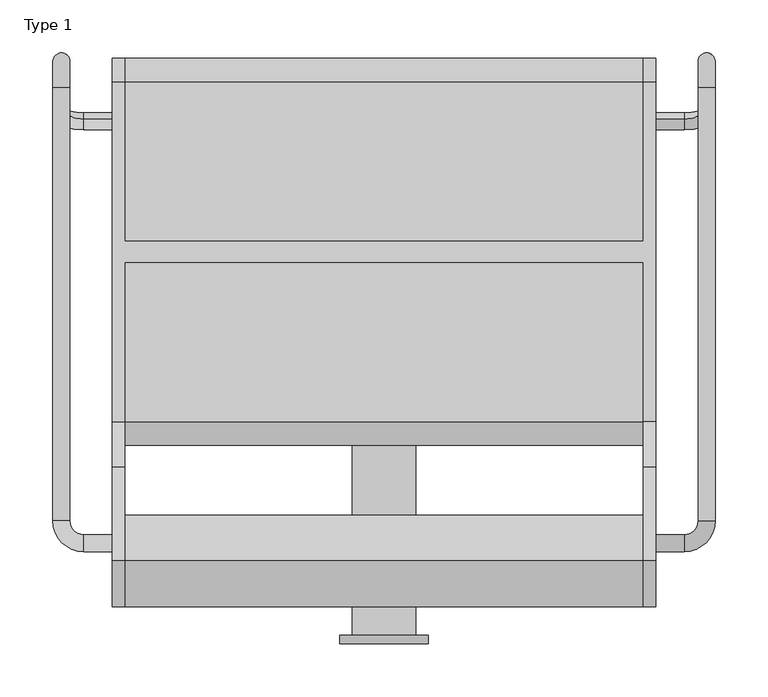
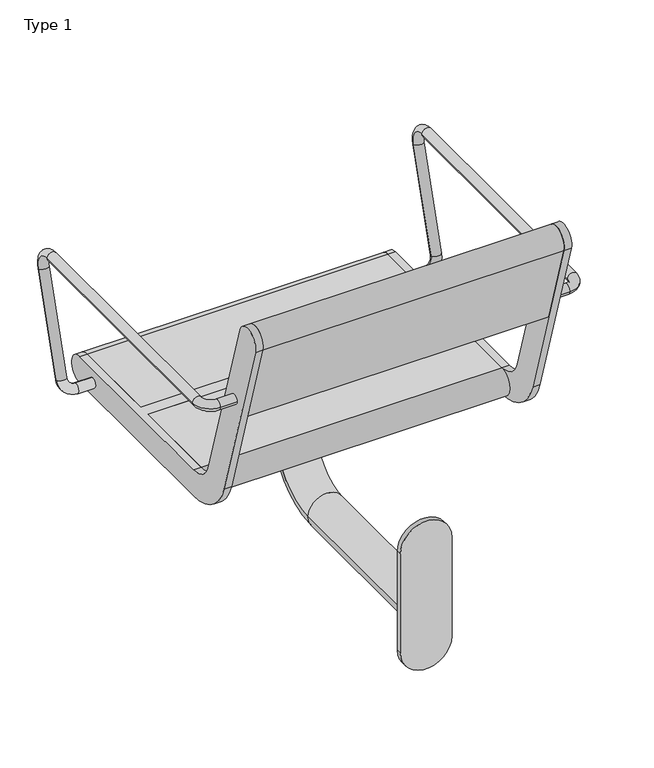
"""IFC4 building model written with IfcOpenShell, lengths in millimetres: furniture geometry, Type 1."""

from ifc_helpers import new_model, si_unit, point, frame, frame_2d, origin, place, context, project, spatial, polyline, circle_curve, ellipse_curve, trimmed, segment, composite_curve, outline, extrude, source, transform, mapped, element, save
from ifc_brep_helpers import plane_surface, cylinder_surface, revolved_surface, advanced_brep


def type_1_fdb0b015(model_context):
    return source(origin(), model_context, "Body", "SolidModel", [
        advanced_brep(
        [(-132.0, 203.0, 641.5), (-132.0, 187.0, 641.5), (-159.0, 203.0, 641.5), (-159.0, 187.0, 641.5), (-172.0, 216.0, 641.5), (-188.0, 216.0, 641.5), (-172.0, 625.6408049, 641.5), (-188.0, 625.6408049, 641.5), (-188.0, 649.5484238, 609.1907074), (-172.0, 649.5484238, 609.1907074), (-188.0, 600.1398058, 447.5823999), (-172.0, 600.1398058, 447.5823999), (-132.0, 596.3389736, 435.150438), (-132.0, 591.6610264, 419.849562), (-159.0, 591.6610264, 419.849562), (-159.0, 596.3389736, 435.150438)],
        [
            (0, 1, circle_curve(frame((-132.0, 195.0, 641.5), z_axis=(1.0, 0.0, 0.0), x_axis=(0.0, -1.0, 0.0)), 8.0)),
            (1, 0, circle_curve(frame((-132.0, 195.0, 641.5), z_axis=(1.0, 0.0, 0.0), x_axis=(0.0, -1.0, 0.0)), 8.0)),
            (0, 2),
            (2, 3, circle_curve(frame((-159.0, 195.0, 641.5), z_axis=(1.0, 0.0, 0.0), x_axis=(0.0, -1.0, 0.0)), 8.0)),
            (3, 1),
            (3, 2, circle_curve(frame((-159.0, 195.0, 641.5), z_axis=(1.0, 0.0, 0.0), x_axis=(0.0, -1.0, 0.0)), 8.0)),
            (2, 4, circle_curve(frame((-159.0, 216.0, 641.5), z_axis=(0.0, 0.0, -1.0), x_axis=(0.0, -1.0, 0.0)), 13.0)),
            (4, 5, circle_curve(frame((-180.0, 216.0, 641.5), z_axis=(0.0, -1.0, 0.0), x_axis=(-1.0, 0.0, 0.0)), 8.0)),
            (5, 3, circle_curve(frame((-159.0, 216.0, 641.5), z_axis=(0.0, 0.0, 1.0), x_axis=(0.0, -1.0, 0.0)), 29.0)),
            (5, 4, circle_curve(frame((-180.0, 216.0, 641.5), z_axis=(0.0, -1.0, 0.0), x_axis=(-1.0, 0.0, 0.0)), 8.0)),
            (4, 6),
            (6, 7, circle_curve(frame((-180.0, 625.6408049, 641.5), z_axis=(0.0, -1.0, 0.0), x_axis=(-1.0, 0.0, 0.0)), 8.0)),
            (7, 5),
            (7, 6, circle_curve(frame((-180.0, 625.6408049, 641.5), z_axis=(0.0, -1.0, 0.0), x_axis=(-1.0, 0.0, 0.0)), 8.0)),
            (7, 8, circle_curve(frame((-188.0, 625.6408049, 616.5), z_axis=(-1.0, 0.0, 0.0), x_axis=(0.0, 0.0, 1.0)), 25.0)),
            (8, 9, circle_curve(frame((-180.0, 649.5484238, 609.1907074), z_axis=(0.0, 0.2923717047227469, 0.9563047559630324), x_axis=(-1.0, 0.0, 0.0)), 8.0)),
            (9, 6, circle_curve(frame((-172.0, 625.6408049, 616.5), z_axis=(1.0, 0.0, 0.0), x_axis=(0.0, 0.0, 1.0)), 25.0)),
            (9, 8, circle_curve(frame((-180.0, 649.5484238, 609.1907074), z_axis=(0.0, 0.2923717047227456, 0.9563047559630328), x_axis=(-1.0, 0.0, 0.0)), 8.0)),
            (8, 10),
            (10, 11, circle_curve(frame((-180.0, 600.1398058, 447.5823999), z_axis=(0.0, 0.2923717047227381, 0.9563047559630351), x_axis=(-1.0, 0.0, 0.0)), 8.0)),
            (11, 9),
            (11, 10, circle_curve(frame((-180.0, 600.1398058, 447.5823999), z_axis=(0.0, 0.2923717047227381, 0.9563047559630351), x_axis=(-1.0, 0.0, 0.0)), 8.0)),
            (12, 13, circle_curve(frame((-132.0, 594.0, 427.5), z_axis=(1.0, 0.0, 0.0), x_axis=(0.0, -0.2923717047227402, -0.9563047559630344)), 8.0)),
            (13, 12, circle_curve(frame((-132.0, 594.0, 427.5), z_axis=(1.0, 0.0, 0.0), x_axis=(0.0, -0.2923717047227402, -0.9563047559630344)), 8.0)),
            (13, 14),
            (14, 15, circle_curve(frame((-159.0, 594.0, 427.5), z_axis=(1.0, 0.0, 0.0), x_axis=(0.0, -0.2923717047227402, -0.9563047559630344)), 8.0)),
            (15, 12),
            (15, 14, circle_curve(frame((-159.0, 594.0, 427.5), z_axis=(1.0, 0.0, 0.0), x_axis=(0.0, -0.2923717047227402, -0.9563047559630344)), 8.0)),
            (14, 10, circle_curve(frame((-159.0, 600.1398058, 447.5823999), z_axis=(0.0, 0.9563047559630344, -0.29237170472274027), x_axis=(0.0, -0.29237170472274027, -0.9563047559630344)), 29.0)),
            (11, 15, circle_curve(frame((-159.0, 600.1398058, 447.5823999), z_axis=(0.0, -0.9563047559630344, 0.29237170472274027), x_axis=(0.0, -0.29237170472274027, -0.9563047559630344)), 13.0)),
        ],
        [
            plane_surface(frame((-132.0, 195.0, 405.0), z_axis=(1.0, 0.0, 0.0), x_axis=(0.0, 0.0, 1.0))),
            cylinder_surface(frame((-132.0, 195.0, 641.5), z_axis=(1.0, 0.0, 0.0), x_axis=(0.0, -1.0, 0.0)), 8.0),
            revolved_surface(trimmed(ellipse_curve(frame((-159.0, 195.0, 641.5), z_axis=(1.0, 0.0, 0.0), x_axis=(0.0, -1.0, 0.0)), 8.0, 8.0), [point((-159.0, 203.0, 641.5))], [point((-159.0, 187.0, 641.5))], True, "CARTESIAN"), (-159.0, 216.0, 405.0), (0.0, 0.0, -1.0)),
            revolved_surface(trimmed(ellipse_curve(frame((-159.0, 195.0, 641.5), z_axis=(1.0, 0.0, 0.0), x_axis=(0.0, -1.0, 0.0)), 8.0, 8.0), [point((-159.0, 187.0, 641.5))], [point((-159.0, 203.0, 641.5))], True, "CARTESIAN"), (-159.0, 216.0, 405.0), (0.0, 0.0, -1.0)),
            cylinder_surface(frame((-180.0, 216.0, 641.5), z_axis=(0.0, -1.0, 0.0), x_axis=(-1.0, 0.0, 0.0)), 8.0),
            revolved_surface(trimmed(ellipse_curve(frame((-180.0, 625.6408049, 641.5), z_axis=(0.0, -1.0, 0.0), x_axis=(-1.0, 0.0, 0.0)), 8.0, 8.0), [point((-188.0, 625.6408049, 641.5))], [point((-172.0, 625.6408049, 641.5))], True, "CARTESIAN"), (125.0, 625.6408049, 616.5), (-1.0, 0.0, 0.0)),
            revolved_surface(trimmed(ellipse_curve(frame((-180.0, 625.6408049, 641.5), z_axis=(0.0, -1.0, 0.0), x_axis=(-1.0, 0.0, 0.0)), 8.0, 8.0), [point((-172.0, 625.6408049, 641.5))], [point((-188.0, 625.6408049, 641.5))], True, "CARTESIAN"), (125.0, 625.6408049, 616.5), (-1.0, 0.0, 0.0)),
            cylinder_surface(frame((-180.0, 649.5484238, 609.1907074), z_axis=(0.0, 0.2923717047227381, 0.9563047559630351), x_axis=(-1.0, 0.0, 0.0)), 8.0),
            plane_surface(frame((-132.0, -19.469501, 615.0564486), z_axis=(1.0, 0.0, 0.0), x_axis=(0.0, 0.9563047559630344, -0.29237170472274027))),
            cylinder_surface(frame((-132.0, 594.0, 427.5), z_axis=(1.0, 0.0, 0.0), x_axis=(0.0, -0.2923717047227402, -0.9563047559630344)), 8.0),
            revolved_surface(trimmed(ellipse_curve(frame((-159.0, 594.0, 427.5), z_axis=(1.0, 0.0, 0.0), x_axis=(0.0, -0.2923717047227402, -0.9563047559630344)), 8.0, 8.0), [point((-159.0, 591.6610264, 419.849562))], [point((-159.0, 596.3389736, 435.150438))], True, "CARTESIAN"), (-159.0, -13.3296952, 635.1388485), (0.0, 0.9563047559630344, -0.29237170472274027)),
            revolved_surface(trimmed(ellipse_curve(frame((-159.0, 594.0, 427.5), z_axis=(1.0, 0.0, 0.0), x_axis=(0.0, -0.2923717047227402, -0.9563047559630344)), 8.0, 8.0), [point((-159.0, 596.3389736, 435.150438))], [point((-159.0, 591.6610264, 419.849562))], True, "CARTESIAN"), (-159.0, -13.3296952, 635.1388485), (0.0, 0.9563047559630344, -0.29237170472274027)),
        ],
        [
            (0, [[1, 2]]),
            (1, [[-1, 3, 4, 5]]),
            (1, [[-2, -5, 6, -3]]),
            (2, [[-4, 7, 8, 9]]),
            (3, [[-6, -9, 10, -7]]),
            (4, [[11, 12, 13, -8]]),
            (4, [[-11, -10, -13, 14]]),
            (5, [[-14, 15, 16, 17]]),
            (6, [[-12, -17, 18, -15]]),
            (7, [[-16, 19, 20, 21]]),
            (7, [[-18, -21, 22, -19]]),
            (8, [[23, 24]]),
            (9, [[-24, 25, 26, 27]]),
            (9, [[-23, -27, 28, -25]]),
            (10, [[-26, 29, -22, 30]]),
            (11, [[-28, -30, -20, -29]]),
        ],
    ),
        advanced_brep(
        [(438.0, 216.0, 641.5), (438.0, 625.6408049, 641.5), (422.0, 625.6408049, 641.5), (422.0, 216.0, 641.5), (382.0, 203.0, 641.5), (382.0, 187.0, 641.5), (409.0, 187.0, 641.5), (409.0, 203.0, 641.5), (422.0, 649.5484238, 609.1907074), (438.0, 649.5484238, 609.1907074), (422.0, 600.1398058, 447.5823999), (438.0, 600.1398058, 447.5823999), (382.0, 596.3389736, 435.150438), (382.0, 591.6610264, 419.849562), (409.0, 596.3389736, 435.150438), (409.0, 591.6610264, 419.849562)],
        [
            (0, 1),
            (1, 2, circle_curve(frame((430.0, 625.6408049, 641.5), z_axis=(0.0, -1.0, 0.0), x_axis=(1.0, 0.0, 0.0)), 8.0)),
            (2, 3),
            (3, 0, circle_curve(frame((430.0, 216.0, 641.5), z_axis=(0.0, 1.0, 0.0), x_axis=(1.0, 0.0, 0.0)), 8.0)),
            (0, 3, circle_curve(frame((430.0, 216.0, 641.5), z_axis=(0.0, 1.0, 0.0), x_axis=(1.0, 0.0, 0.0)), 8.0)),
            (2, 1, circle_curve(frame((430.0, 625.6408049, 641.5), z_axis=(0.0, -1.0, 0.0), x_axis=(1.0, 0.0, 0.0)), 8.0)),
            (4, 5, circle_curve(frame((382.0, 195.0, 641.5), z_axis=(-1.0, 0.0, 0.0), x_axis=(0.0, -1.0, 0.0)), 8.0)),
            (5, 4, circle_curve(frame((382.0, 195.0, 641.5), z_axis=(-1.0, 0.0, 0.0), x_axis=(0.0, -1.0, 0.0)), 8.0)),
            (5, 6),
            (6, 7, circle_curve(frame((409.0, 195.0, 641.5), z_axis=(-1.0, 0.0, 0.0), x_axis=(0.0, -1.0, 0.0)), 8.0)),
            (7, 4),
            (7, 6, circle_curve(frame((409.0, 195.0, 641.5), z_axis=(-1.0, 0.0, 0.0), x_axis=(0.0, -1.0, 0.0)), 8.0)),
            (6, 0, circle_curve(frame((409.0, 216.0, 641.5), z_axis=(0.0, 0.0, 1.0), x_axis=(0.0, -1.0, 0.0)), 29.0)),
            (3, 7, circle_curve(frame((409.0, 216.0, 641.5), z_axis=(0.0, 0.0, -1.0), x_axis=(0.0, -1.0, 0.0)), 13.0)),
            (2, 8, circle_curve(frame((422.0, 625.6408049, 616.5), z_axis=(-1.0, 0.0, 0.0), x_axis=(0.0, 0.0, 1.0)), 25.0)),
            (8, 9, circle_curve(frame((430.0, 649.5484238, 609.1907074), z_axis=(0.0, 0.29237170472274643, 0.9563047559630325), x_axis=(1.0, 0.0, 0.0)), 8.0)),
            (9, 1, circle_curve(frame((438.0, 625.6408049, 616.5), z_axis=(1.0, 0.0, 0.0), x_axis=(0.0, 0.0, 1.0)), 25.0)),
            (9, 8, circle_curve(frame((430.0, 649.5484238, 609.1907074), z_axis=(0.0, 0.29237170472274643, 0.9563047559630325), x_axis=(1.0, 0.0, 0.0)), 8.0)),
            (8, 10),
            (10, 11, circle_curve(frame((430.0, 600.1398058, 447.5823999), z_axis=(0.0, 0.2923717047227381, 0.9563047559630351), x_axis=(1.0, 0.0, 0.0)), 8.0)),
            (11, 9),
            (11, 10, circle_curve(frame((430.0, 600.1398058, 447.5823999), z_axis=(0.0, 0.2923717047227381, 0.9563047559630351), x_axis=(1.0, 0.0, 0.0)), 8.0)),
            (12, 13, circle_curve(frame((382.0, 594.0, 427.5), z_axis=(-1.0, 0.0, 0.0), x_axis=(0.0, -0.2923717047227402, -0.9563047559630344)), 8.0)),
            (13, 12, circle_curve(frame((382.0, 594.0, 427.5), z_axis=(-1.0, 0.0, 0.0), x_axis=(0.0, -0.2923717047227402, -0.9563047559630344)), 8.0)),
            (12, 14),
            (14, 15, circle_curve(frame((409.0, 594.0, 427.5), z_axis=(-1.0, 0.0, 0.0), x_axis=(0.0, -0.2923717047227402, -0.9563047559630344)), 8.0)),
            (15, 13),
            (15, 14, circle_curve(frame((409.0, 594.0, 427.5), z_axis=(-1.0, 0.0, 0.0), x_axis=(0.0, -0.2923717047227402, -0.9563047559630344)), 8.0)),
            (14, 10, circle_curve(frame((409.0, 600.1398058, 447.5823999), z_axis=(0.0, -0.9563047559630344, 0.29237170472274027), x_axis=(0.0, -0.29237170472274027, -0.9563047559630344)), 13.0)),
            (11, 15, circle_curve(frame((409.0, 600.1398058, 447.5823999), z_axis=(0.0, 0.9563047559630344, -0.29237170472274027), x_axis=(0.0, -0.29237170472274027, -0.9563047559630344)), 29.0)),
        ],
        [
            cylinder_surface(frame((430.0, 216.0, 641.5), z_axis=(0.0, -1.0, 0.0), x_axis=(1.0, 0.0, 0.0)), 8.0),
            plane_surface(frame((382.0, 195.0, 405.0), z_axis=(-1.0, 0.0, 0.0), x_axis=(0.0, 0.0, 1.0))),
            cylinder_surface(frame((382.0, 195.0, 641.5), z_axis=(-1.0, 0.0, 0.0), x_axis=(0.0, -1.0, 0.0)), 8.0),
            revolved_surface(trimmed(ellipse_curve(frame((409.0, 195.0, 641.5), z_axis=(-1.0, 0.0, 0.0), x_axis=(0.0, -1.0, 0.0)), 8.0, 8.0), [point((409.0, 187.0, 641.5))], [point((409.0, 203.0, 641.5))], True, "CARTESIAN"), (409.0, 216.0, 405.0), (0.0, 0.0, 1.0)),
            revolved_surface(trimmed(ellipse_curve(frame((409.0, 195.0, 641.5), z_axis=(-1.0, 0.0, 0.0), x_axis=(0.0, -1.0, 0.0)), 8.0, 8.0), [point((409.0, 203.0, 641.5))], [point((409.0, 187.0, 641.5))], True, "CARTESIAN"), (409.0, 216.0, 405.0), (0.0, 0.0, 1.0)),
            revolved_surface(trimmed(ellipse_curve(frame((430.0, 625.6408049, 641.5), z_axis=(0.0, -1.0, 0.0), x_axis=(1.0, 0.0, 0.0)), 8.0, 8.0), [point((422.0, 625.6408049, 641.5))], [point((438.0, 625.6408049, 641.5))], True, "CARTESIAN"), (125.0, 625.6408049, 616.5), (-1.0, 0.0, 0.0)),
            revolved_surface(trimmed(ellipse_curve(frame((430.0, 625.6408049, 641.5), z_axis=(0.0, -1.0, 0.0), x_axis=(1.0, 0.0, 0.0)), 8.0, 8.0), [point((438.0, 625.6408049, 641.5))], [point((422.0, 625.6408049, 641.5))], True, "CARTESIAN"), (125.0, 625.6408049, 616.5), (-1.0, 0.0, 0.0)),
            cylinder_surface(frame((430.0, 649.5484238, 609.1907074), z_axis=(0.0, 0.2923717047227381, 0.9563047559630351), x_axis=(1.0, 0.0, 0.0)), 8.0),
            plane_surface(frame((382.0, -19.469501, 615.0564486), z_axis=(-1.0, 0.0, 0.0), x_axis=(0.0, 0.9563047559630344, -0.29237170472274027))),
            cylinder_surface(frame((382.0, 594.0, 427.5), z_axis=(-1.0, 0.0, 0.0), x_axis=(0.0, -0.2923717047227402, -0.9563047559630344)), 8.0),
            revolved_surface(trimmed(ellipse_curve(frame((409.0, 594.0, 427.5), z_axis=(-1.0, 0.0, 0.0), x_axis=(0.0, -0.2923717047227402, -0.9563047559630344)), 8.0, 8.0), [point((409.0, 596.3389736, 435.150438))], [point((409.0, 591.6610264, 419.849562))], True, "CARTESIAN"), (409.0, -13.3296952, 635.1388485), (0.0, -0.9563047559630344, 0.29237170472274027)),
            revolved_surface(trimmed(ellipse_curve(frame((409.0, 594.0, 427.5), z_axis=(-1.0, 0.0, 0.0), x_axis=(0.0, -0.2923717047227402, -0.9563047559630344)), 8.0, 8.0), [point((409.0, 591.6610264, 419.849562))], [point((409.0, 596.3389736, 435.150438))], True, "CARTESIAN"), (409.0, -13.3296952, 635.1388485), (0.0, -0.9563047559630344, 0.29237170472274027)),
        ],
        [
            (0, [[1, 2, 3, 4]]),
            (0, [[-1, 5, -3, 6]]),
            (1, [[7, 8]]),
            (2, [[-8, 9, 10, 11]]),
            (2, [[-7, -11, 12, -9]]),
            (3, [[-10, 13, -4, 14]]),
            (4, [[-12, -14, -5, -13]]),
            (5, [[-6, 15, 16, 17]]),
            (6, [[-2, -17, 18, -15]]),
            (7, [[-16, 19, 20, 21]]),
            (7, [[-18, -21, 22, -19]]),
            (8, [[23, 24]]),
            (9, [[-23, 25, 26, 27]]),
            (9, [[-24, -27, 28, -25]]),
            (10, [[-26, 29, -22, 30]]),
            (11, [[-28, -30, -20, -29]]),
        ],
    ),
        advanced_brep(
        [(370.0, 178.9624029, 769.6910048), (370.0, 266.966286, 481.8432733), (370.0, 310.0, 450.0), (370.0, 460.5, 450.0), (370.0, 460.5, 405.0), (370.0, 310.0, 405.0), (370.0, 223.932572, 468.6865466), (370.0, 135.9286888, 756.5342781), (370.0, 631.0, 450.0), (370.0, 631.0, 405.0), (370.0, 480.5, 405.0), (370.0, 480.5, 450.0), (382.0, 178.9624029, 769.6910048), (382.0, 135.9286888, 756.5342781), (382.0, 223.932572, 468.6865466), (382.0, 310.0, 405.0), (382.0, 631.0, 405.0), (382.0, 631.0, 450.0), (382.0, 310.0, 450.0), (382.0, 266.966286, 481.8432733), (-120.0, 480.5, 450.0), (-120.0, 631.0, 450.0), (-132.0, 631.0, 450.0), (-132.0, 310.0, 450.0), (-120.0, 310.0, 450.0), (-120.0, 460.5, 450.0), (-120.0, 460.5, 405.0), (-120.0, 310.0, 405.0), (-132.0, 310.0, 405.0), (-132.0, 631.0, 405.0), (-120.0, 631.0, 405.0), (-120.0, 480.5, 405.0), (-132.0, 178.9624029, 769.6910048), (-132.0, 266.966286, 481.8432733), (-132.0, 223.932572, 468.6865466), (-132.0, 135.9286888, 756.5342781), (-120.0, 178.9624029, 769.6910048), (-120.0, 135.9286888, 756.5342781), (-120.0, 223.932572, 468.6865466), (-120.0, 266.966286, 481.8432733)],
        [
            (0, 1),
            (1, 2, circle_curve(frame((370.0, 310.0, 495.0), z_axis=(1.0, 0.0, 0.0), x_axis=(0.0, 1.0, 0.0)), 45.0)),
            (2, 3),
            (3, 4),
            (4, 5),
            (5, 6, circle_curve(frame((370.0, 310.0, 495.0), z_axis=(-1.0, 0.0, 0.0), x_axis=(0.0, 1.0, 0.0)), 90.0)),
            (6, 7),
            (7, 0, circle_curve(frame((370.0, 157.4455459, 763.1126415), z_axis=(-1.0, 0.0, 0.0), x_axis=(0.0, 1.0, 0.0)), 22.5)),
            (8, 9, circle_curve(frame((370.0, 631.0, 427.5), z_axis=(-1.0, 0.0, 0.0), x_axis=(0.0, 1.0, 0.0)), 22.5)),
            (9, 10),
            (10, 11),
            (11, 8),
            (12, 13, circle_curve(frame((382.0, 157.4455459, 763.1126415), z_axis=(1.0, 0.0, 0.0), x_axis=(0.0, 1.0, 0.0)), 22.5)),
            (13, 14),
            (14, 15, circle_curve(frame((382.0, 310.0, 495.0), z_axis=(1.0, 0.0, 0.0), x_axis=(0.0, 1.0, 0.0)), 90.0)),
            (15, 16),
            (16, 17, circle_curve(frame((382.0, 631.0, 427.5), z_axis=(1.0, 0.0, 0.0), x_axis=(0.0, 1.0, 0.0)), 22.5)),
            (17, 18),
            (18, 19, circle_curve(frame((382.0, 310.0, 495.0), z_axis=(-1.0, 0.0, 0.0), x_axis=(0.0, 1.0, 0.0)), 45.0)),
            (19, 12),
            (0, 12),
            (19, 1),
            (18, 2),
            (17, 8),
            (11, 20),
            (20, 21),
            (21, 22),
            (22, 23),
            (23, 24),
            (24, 25),
            (25, 3),
            (15, 5),
            (4, 26),
            (26, 27),
            (27, 28),
            (28, 29),
            (29, 30),
            (30, 31),
            (31, 10),
            (9, 16),
            (14, 6),
            (13, 7),
            (31, 20),
            (25, 26),
            (32, 33),
            (33, 23, circle_curve(frame((-132.0, 310.0, 495.0), z_axis=(1.0, 0.0, 0.0), x_axis=(0.0, 1.0, 0.0)), 45.0)),
            (22, 29, circle_curve(frame((-132.0, 631.0, 427.5), z_axis=(-1.0, 0.0, 0.0), x_axis=(0.0, 1.0, 0.0)), 22.5)),
            (28, 34, circle_curve(frame((-132.0, 310.0, 495.0), z_axis=(-1.0, 0.0, 0.0), x_axis=(0.0, 1.0, 0.0)), 90.0)),
            (34, 35),
            (35, 32, circle_curve(frame((-132.0, 157.4455459, 763.1126415), z_axis=(-1.0, 0.0, 0.0), x_axis=(0.0, 1.0, 0.0)), 22.5)),
            (36, 37, circle_curve(frame((-120.0, 157.4455459, 763.1126415), z_axis=(1.0, 0.0, 0.0), x_axis=(0.0, 1.0, 0.0)), 22.5)),
            (37, 38),
            (38, 27, circle_curve(frame((-120.0, 310.0, 495.0), z_axis=(1.0, 0.0, 0.0), x_axis=(0.0, 1.0, 0.0)), 90.0)),
            (24, 39, circle_curve(frame((-120.0, 310.0, 495.0), z_axis=(-1.0, 0.0, 0.0), x_axis=(0.0, 1.0, 0.0)), 45.0)),
            (39, 36),
            (30, 21, circle_curve(frame((-120.0, 631.0, 427.5), z_axis=(1.0, 0.0, 0.0), x_axis=(0.0, 1.0, 0.0)), 22.5)),
            (32, 36),
            (39, 33),
            (38, 34),
            (37, 35),
        ],
        [
            plane_surface(frame((370.0, 266.966286, 481.8432733), z_axis=(-1.0000000000000002, 0.0, 0.0), x_axis=(0.0, 0.29237170472273394, -0.9563047559630364))),
            plane_surface(frame((382.0, 266.966286, 481.8432733), z_axis=(1.0000000000000002, 0.0, 0.0), x_axis=(0.0, -0.29237170472273394, 0.9563047559630364))),
            plane_surface(frame((370.0, 178.9624029, 769.6910048), z_axis=(0.0, 0.9563047559630364, 0.29237170472273394), x_axis=(1.0, 0.0, 0.0))),
            revolved_surface(polyline([(382.0, 355.0, 495.0), (370.0, 355.0, 495.0)]), (382.0, 310.0, 495.0), (1.0, 0.0, 0.0)),
            plane_surface(frame((370.0, 310.0, 450.0), z_axis=(0.0, 0.0, 1.0), x_axis=(1.0, 0.0, 0.0))),
            plane_surface(frame((370.0, 631.0, 405.0), z_axis=(0.0, 0.0, -1.0), x_axis=(1.0, 0.0, 0.0))),
            cylinder_surface(frame((382.0, 310.0, 495.0), z_axis=(-1.0, 0.0, 0.0), x_axis=(0.0, 1.0, 0.0)), 90.0),
            plane_surface(frame((370.0, 223.932572, 468.6865466), z_axis=(0.0, -0.9563047559630364, -0.29237170472273366), x_axis=(1.0, 0.0, 0.0))),
            cylinder_surface(frame((382.0, 157.4455459, 763.1126415), z_axis=(-1.0, 0.0, 0.0), x_axis=(0.0, 1.0, 0.0)), 22.5),
            cylinder_surface(frame((382.0, 631.0, 427.5), z_axis=(-1.0, 0.0, 0.0), x_axis=(0.0, 1.0, 0.0)), 22.5),
            plane_surface(frame((-120.0, 480.5, 450.0), z_axis=(0.0, 1.0, 0.0), x_axis=(1.0, 0.0, 0.0))),
            plane_surface(frame((-120.0, 460.5, 405.0), z_axis=(0.0, -1.0, 0.0), x_axis=(1.0, 0.0, 0.0))),
            plane_surface(frame((-132.0, 266.966286, 481.8432733), z_axis=(-1.0000000000000002, 0.0, 0.0), x_axis=(0.0, 0.29237170472273394, -0.9563047559630364))),
            plane_surface(frame((-120.0, 266.966286, 481.8432733), z_axis=(1.0000000000000002, 0.0, 0.0), x_axis=(0.0, -0.29237170472273394, 0.9563047559630364))),
            plane_surface(frame((-132.0, 178.9624029, 769.6910048), z_axis=(0.0, 0.9563047559630364, 0.29237170472273394), x_axis=(1.0, 0.0, 0.0))),
            revolved_surface(polyline([(-120.0, 355.0, 495.0), (-132.0, 355.0, 495.0)]), (-120.0, 310.0, 495.0), (1.0, 0.0, 0.0)),
            cylinder_surface(frame((-120.0, 310.0, 495.0), z_axis=(-1.0, 0.0, 0.0), x_axis=(0.0, 1.0, 0.0)), 90.0),
            plane_surface(frame((-132.0, 223.932572, 468.6865466), z_axis=(0.0, -0.9563047559630364, -0.29237170472273366), x_axis=(1.0, 0.0, 0.0))),
            cylinder_surface(frame((-120.0, 157.4455459, 763.1126415), z_axis=(-1.0, 0.0, 0.0), x_axis=(0.0, 1.0, 0.0)), 22.5),
            cylinder_surface(frame((-120.0, 631.0, 427.5), z_axis=(-1.0, 0.0, 0.0), x_axis=(0.0, 1.0, 0.0)), 22.5),
        ],
        [
            (0, [[1, 2, 3, 4, 5, 6, 7, 8]]),
            (0, [[9, 10, 11, 12]]),
            (1, [[13, 14, 15, 16, 17, 18, 19, 20]]),
            (2, [[-1, 21, -20, 22]]),
            (3, [[-2, -22, -19, 23]]),
            (4, [[-18, 24, -12, 25, 26, 27, 28, 29, 30, 31, -3, -23]]),
            (5, [[-16, 32, -5, 33, 34, 35, 36, 37, 38, 39, -10, 40]]),
            (6, [[-6, -32, -15, 41]]),
            (7, [[-7, -41, -14, 42]]),
            (8, [[-8, -42, -13, -21]]),
            (9, [[-9, -24, -17, -40]]),
            (10, [[-25, -11, -39, 43]]),
            (11, [[-31, 44, -33, -4]]),
            (12, [[45, 46, -28, 47, -36, 48, 49, 50]]),
            (13, [[51, 52, 53, -34, -44, -30, 54, 55]]),
            (13, [[56, -26, -43, -38]]),
            (14, [[-45, 57, -55, 58]]),
            (15, [[-46, -58, -54, -29]]),
            (16, [[-48, -35, -53, 59]]),
            (17, [[-49, -59, -52, 60]]),
            (18, [[-50, -60, -51, -57]]),
            (19, [[-47, -27, -56, -37]]),
        ],
    ),
        extrude(outline(composite_curve([segment(polyline([(178.9624029, 769.6910048), (221.5024859, 630.5486628), (178.4687719, 617.3919361), (135.9286888, 756.5342781)]), True, "CONTINUOUS"), segment(trimmed(circle_curve(frame_2d((157.4455459, 763.1126415)), 22.5), [point((135.9286888, 756.5342781))], [point((178.9624029, 769.6910048))], False, "CARTESIAN"), True, "CONTINUOUS")], self_intersect=False)), frame((-120.0, 0.0, 0.0), z_axis=(1.0, 0.0, 0.0), x_axis=(0.0, 1.0, 0.0)), (0.0, 0.0, 1.0), 490.0),
        extrude(outline(composite_curve([segment(polyline([(460.5, 405.0), (310.0, 405.0)]), True, "CONTINUOUS"), segment(trimmed(circle_curve(frame_2d((310.0, 427.5)), 22.5), [point((310.0, 405.0))], [point((310.0, 450.0))], False, "CARTESIAN"), True, "CONTINUOUS"), segment(polyline([(310.0, 450.0), (460.5, 450.0), (460.5, 405.0)]), True, "CONTINUOUS")], self_intersect=False)), frame((-120.0, 0.0, 0.0), z_axis=(1.0, 0.0, 0.0), x_axis=(0.0, 1.0, 0.0)), (0.0, 0.0, 1.0), 490.0),
        extrude(outline(composite_curve([segment(polyline([(480.5, 405.0), (480.5, 450.0), (631.0, 450.0)]), True, "CONTINUOUS"), segment(trimmed(circle_curve(frame_2d((631.0, 427.5)), 22.5), [point((631.0, 450.0))], [point((631.0, 405.0))], False, "CARTESIAN"), True, "CONTINUOUS"), segment(polyline([(631.0, 405.0), (480.5, 405.0)]), True, "CONTINUOUS")], self_intersect=False)), frame((-120.0, 0.0, 0.0), z_axis=(1.0, 0.0, 0.0), x_axis=(0.0, 1.0, 0.0)), (0.0, 0.0, 1.0), 490.0),
        extrude(outline(composite_curve([segment(trimmed(circle_curve(frame_2d((357.0801223, 125.0)), 41.9108501), [point((357.0801223, 166.9108501))], [point((357.0801223, 83.0891499))], False, "CARTESIAN"), True, "CONTINUOUS"), segment(polyline([(357.0801223, 83.0891499), (187.0801223, 83.0891499)]), True, "CONTINUOUS"), segment(trimmed(circle_curve(frame_2d((187.0801223, 125.0)), 41.9108501), [point((187.0801223, 83.0891499))], [point((187.0801223, 166.9108501))], False, "CARTESIAN"), True, "CONTINUOUS"), segment(polyline([(187.0801223, 166.9108501), (357.0801223, 166.9108501)]), True, "CONTINUOUS")], self_intersect=False)), frame((0.0, 100.0, 0.0), z_axis=(0.0, 1.0, 0.0), x_axis=(0.0, 0.0, 1.0)), (0.0, 0.0, 1.0), 8.0),
        advanced_brep(
        [(50.0, 595.0, 405.0), (50.0, 595.0, 389.0), (50.0, 345.0, 389.0), (50.0, 345.0, 405.0), (200.0, 595.0, 405.0), (200.0, 345.0, 405.0), (200.0, 345.0, 389.0), (200.0, 595.0, 389.0), (155.0, 470.0, 389.0), (95.0, 470.0, 389.0), (95.0, 108.0, 246.9999952), (155.0, 108.0, 246.9999952), (95.0, 379.9999981, 246.9999952), (155.0, 379.9999981, 246.9999952), (95.0, 470.0, 336.9999971), (155.0, 470.0, 336.9999971)],
        [
            (0, 1),
            (1, 2),
            (2, 3),
            (3, 0),
            (4, 5),
            (5, 6),
            (6, 7),
            (7, 4),
            (0, 4),
            (7, 1),
            (6, 2),
            (8, 9, circle_curve(frame((125.0, 470.0, 389.0), z_axis=(0.0, 0.0, 1.0), x_axis=(1.0, 0.0, 0.0)), 30.0)),
            (9, 8, circle_curve(frame((125.0, 470.0, 389.0), z_axis=(0.0, 0.0, 1.0), x_axis=(1.0, 0.0, 0.0)), 30.0)),
            (5, 3),
            (10, 11, circle_curve(frame((125.0, 108.0, 246.9999952), z_axis=(0.0, -1.0, 0.0), x_axis=(1.0, 0.0, 0.0)), 30.0)),
            (11, 10, circle_curve(frame((125.0, 108.0, 246.9999952), z_axis=(0.0, -1.0, 0.0), x_axis=(1.0, 0.0, 0.0)), 30.0)),
            (10, 12),
            (12, 13, circle_curve(frame((125.0, 379.9999981, 246.9999952), z_axis=(0.0, -1.0, 0.0), x_axis=(1.0, 0.0, 0.0)), 30.0)),
            (13, 11),
            (13, 12, circle_curve(frame((125.0, 379.9999981, 246.9999952), z_axis=(0.0, -1.0, 0.0), x_axis=(1.0, 0.0, 0.0)), 30.0)),
            (12, 14, circle_curve(frame((95.0, 379.9999981, 336.9999971), z_axis=(1.0, 0.0, 0.0), x_axis=(0.0, 0.0, -1.0)), 90.0000019)),
            (14, 15, circle_curve(frame((125.0, 470.0, 336.9999971), z_axis=(0.0, 0.0, -1.0), x_axis=(1.0, 0.0, 0.0)), 30.0)),
            (15, 13, circle_curve(frame((155.0, 379.9999981, 336.9999971), z_axis=(-1.0, 0.0, 0.0), x_axis=(0.0, 0.0, -1.0)), 90.0000019)),
            (15, 14, circle_curve(frame((125.0, 470.0, 336.9999971), z_axis=(0.0, 0.0, -1.0), x_axis=(1.0, 0.0, 0.0)), 30.0)),
            (14, 9),
            (8, 15),
        ],
        [
            plane_surface(frame((50.0, 595.0, 405.0), z_axis=(-1.0, 0.0, 0.0), x_axis=(0.0, 0.0, -1.0))),
            plane_surface(frame((200.0, 595.0, 405.0), z_axis=(1.0, 0.0, 0.0), x_axis=(0.0, 0.0, 1.0))),
            plane_surface(frame((50.0, 595.0, 405.0), z_axis=(0.0, 1.0, 0.0), x_axis=(1.0, 0.0, 0.0))),
            plane_surface(frame((50.0, 595.0, 389.0), z_axis=(0.0, 0.0, -1.0), x_axis=(1.0, 0.0, 0.0))),
            plane_surface(frame((50.0, 345.0, 389.0), z_axis=(0.0, -1.0, 0.0), x_axis=(1.0, 0.0, 0.0))),
            plane_surface(frame((50.0, 345.0, 405.0), z_axis=(0.0, 0.0, 1.0), x_axis=(1.0, 0.0, 0.0))),
            plane_surface(frame((125.0, 108.0, 246.9999952), z_axis=(0.0, -1.0, 0.0), x_axis=(-1.0, 0.0, 0.0))),
            cylinder_surface(frame((125.0, 108.0, 246.9999952), z_axis=(0.0, -1.0, 0.0), x_axis=(1.0, 0.0, 0.0)), 30.0),
            revolved_surface(trimmed(ellipse_curve(frame((125.0, 379.9999981, 246.9999952), z_axis=(0.0, -1.0, 0.0), x_axis=(1.0, 0.0, 0.0)), 30.0, 30.0), [point((95.0, 379.9999981, 246.9999952))], [point((155.0, 379.9999981, 246.9999952))], True, "CARTESIAN"), (125.0, 379.9999981, 336.9999971), (1.0, 0.0, 0.0)),
            revolved_surface(trimmed(ellipse_curve(frame((125.0, 379.9999981, 246.9999952), z_axis=(0.0, -1.0, 0.0), x_axis=(1.0, 0.0, 0.0)), 30.0, 30.0), [point((155.0, 379.9999981, 246.9999952))], [point((95.0, 379.9999981, 246.9999952))], True, "CARTESIAN"), (125.0, 379.9999981, 336.9999971), (1.0, 0.0, 0.0)),
            cylinder_surface(frame((125.0, 470.0, 336.9999971), z_axis=(0.0, 0.0, -1.0), x_axis=(1.0, 0.0, 0.0)), 30.0),
        ],
        [
            (0, [[1, 2, 3, 4]]),
            (1, [[5, 6, 7, 8]]),
            (2, [[-1, 9, -8, 10]]),
            (3, [[-2, -10, -7, 11], [12, 13]]),
            (4, [[-3, -11, -6, 14]]),
            (5, [[-4, -14, -5, -9]]),
            (6, [[15, 16]]),
            (7, [[-15, 17, 18, 19]]),
            (7, [[-16, -19, 20, -17]]),
            (8, [[-18, 21, 22, 23]]),
            (9, [[-20, -23, 24, -21]]),
            (10, [[-22, 25, -12, 26]]),
            (10, [[-24, -26, -13, -25]]),
        ],
    ),
    ])


if __name__ == "__main__":
    model = new_model("IFC4")
    model_context = context("Model", 3, world=origin())
    ifc_project = project(units=[si_unit("LENGTHUNIT", "METRE", prefix="MILLI")], contexts=[model_context])
    site = spatial("IfcSite", under=ifc_project)
    building = spatial("IfcBuilding", under=site)
    placement = place(None, origin())
    type_1_shape = type_1_fdb0b015(model_context)
    element("IfcFurniture", 1, ObjectType="Type 1", at=placement, inside=building, context=model_context, shape_type="MappedRepresentation", body=[
        mapped(type_1_shape, transform((0.0, 0.0, 0.0), x_axis=(1.0, 0.0, 0.0), y_axis=(0.0, 1.0, 0.0), z_axis=(0.0, 0.0, 1.0))),
    ])
    save(model, "model.ifc")
